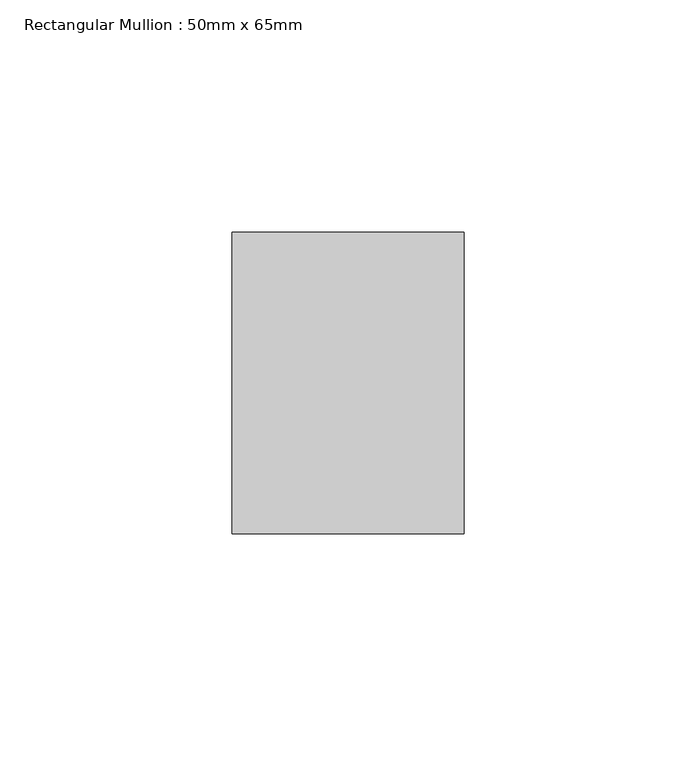
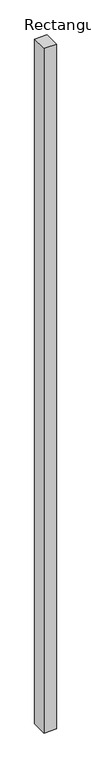
"""IFC4 building model written with IfcOpenShell, lengths in millimetres: member geometry, Rectangular Mullion : 50mm x 65mm."""

import ifcopenshell
import ifcopenshell.guid

model = None  # the IFC model being written
_history = None  # IfcOwnerHistory: only IFC2X3 demands one
_inside = {}  # id of a spatial element -> (the spatial element, [elements in it])
_under = {}  # id of a project, library or spatial element -> (it, [spatial elements below it])
_declared = {}  # id of a project -> (the project, [libraries it declares])
_typed = {}  # id of a type object -> (the type object, [elements of that type])
_made_of = {}  # id of a material, layer set ... -> (it, [elements and type objects made of it])


def new_model(schema):
    """Start an empty IFC model of exactly this schema.

    Asked for "IFC4X3", IfcOpenShell would pick the latest addendum, in which some entities
    have other attributes; the version numbers below select the first issue.
    IFC2X3 requires an IfcOwnerHistory on every rooted entity: one is made here for all.
    """
    global model, _history
    if schema == "IFC4X3":
        model = ifcopenshell.file(schema_version=(4, 3, 0, 0))
    else:
        model = ifcopenshell.file(schema=schema)
    _inside.clear()
    _under.clear()
    _declared.clear()
    _typed.clear()
    _made_of.clear()
    _history = None
    if model.schema == "IFC2X3":
        org = make("IfcOrganization", Name="unknown")
        user = make(
            "IfcPersonAndOrganization",
            ThePerson=make("IfcPerson", FamilyName="unknown"),
            TheOrganization=org,
        )
        app = make(
            "IfcApplication",
            ApplicationDeveloper=org,
            Version="unknown",
            ApplicationFullName="unknown",
            ApplicationIdentifier="unknown",
        )
        _history = make(
            "IfcOwnerHistory",
            OwningUser=user,
            OwningApplication=app,
            ChangeAction="ADDED",
            CreationDate=0,
        )
    return model


def make(cls, **values):
    """One entity of the class cls with the attributes given. An attribute that is None is left unset."""
    return model.create_entity(
        cls, **{name: value for name, value in values.items() if value is not None}
    )


def rooted(cls, **values):
    """An entity with a GlobalId (a new one), such as an element, a storey or a relation."""
    return make(cls, GlobalId=ifcopenshell.guid.new(), OwnerHistory=_history, **values)


def si_unit(unit_type, name, prefix=None):
    """IfcSIUnit, for example si_unit("LENGTHUNIT", "METRE", prefix="MILLI")."""
    return make("IfcSIUnit", UnitType=unit_type, Prefix=prefix, Name=name)


def assignment(units):
    """IfcUnitAssignment: the units of a project."""
    return None if units is None else make("IfcUnitAssignment", Units=units)


def point(xyz):
    """IfcCartesianPoint."""
    return None if xyz is None else make("IfcCartesianPoint", Coordinates=xyz)


def direction(xyz):
    """IfcDirection."""
    return None if xyz is None else make("IfcDirection", DirectionRatios=xyz)


def frame(location, z_axis=None, x_axis=None):
    """IfcAxis2Placement3D, a coordinate frame: its origin and axes. An axis left out is left unset."""
    return make(
        "IfcAxis2Placement3D",
        Location=point(location),
        Axis=direction(z_axis),
        RefDirection=direction(x_axis),
    )


def origin():
    """The frame at (0, 0, 0) with its axes left unset."""
    return frame((0.0, 0.0, 0.0))


def place(relative_to, where):
    """IfcLocalPlacement: puts the frame where relative to a parent placement (None: the world)."""
    return make(
        "IfcLocalPlacement", PlacementRelTo=relative_to, RelativePlacement=where
    )


def context(
    kind, dimensions, precision=None, world=None, true_north=None, identifier=None
):
    """IfcGeometricRepresentationContext, for example the 3D "Model" context."""
    return make(
        "IfcGeometricRepresentationContext",
        ContextIdentifier=identifier,
        ContextType=kind,
        CoordinateSpaceDimension=dimensions,
        Precision=precision,
        WorldCoordinateSystem=world,
        TrueNorth=true_north,
    )


def project(units=None, contexts=None):
    """IfcProject with its units and contexts."""
    return rooted(
        "IfcProject",
        Name="project",
        RepresentationContexts=contexts,
        UnitsInContext=assignment(units),
    )


def spatial(cls, under=None, at=None, **own):
    """A site, building, storey or space (cls), placed at a placement, below another one or the project."""
    s = rooted(cls, ObjectPlacement=at, **own)
    if under is not None:
        _under.setdefault(under.id(), (under, []))[1].append(s)
    return s


def polyline(points):
    """IfcPolyline through the points."""
    return make("IfcPolyline", Points=[point(p) for p in points])


def outline(outer, holes=None, kind="AREA"):
    """IfcArbitraryClosedProfileDef: a profile drawn as a closed curve; with holes, ...WithVoids."""
    if holes is None:
        return make("IfcArbitraryClosedProfileDef", ProfileType=kind, OuterCurve=outer)
    return make(
        "IfcArbitraryProfileDefWithVoids",
        ProfileType=kind,
        OuterCurve=outer,
        InnerCurves=holes,
    )


def extrude(swept, where, along, depth):
    """IfcExtrudedAreaSolid: the profile swept, set in the frame where, extruded along a direction by depth."""
    return make(
        "IfcExtrudedAreaSolid",
        SweptArea=swept,
        Position=where,
        ExtrudedDirection=direction(along),
        Depth=depth,
    )


def shape(context_of_items, identifier, shape_type, items):
    """IfcShapeRepresentation: the items that make up one representation, for example the "Body"."""
    return make(
        "IfcShapeRepresentation",
        ContextOfItems=context_of_items,
        RepresentationIdentifier=identifier,
        RepresentationType=shape_type,
        Items=items,
    )


def source(mapping_origin, context_of_items, identifier, shape_type, items):
    """IfcRepresentationMap: a shape defined once, which mapped items show again and again."""
    return make(
        "IfcRepresentationMap",
        MappingOrigin=mapping_origin,
        MappedRepresentation=shape(context_of_items, identifier, shape_type, items),
    )


def transform(
    local_origin,
    x_axis=None,
    y_axis=None,
    z_axis=None,
    scale=None,
    scale2=None,
    scale3=None,
    uniform=True,
):
    """IfcCartesianTransformationOperator3D, or its non-uniform kind. x_axis, y_axis, z_axis: its Axis1, 2, 3."""
    if uniform:
        return make(
            "IfcCartesianTransformationOperator3D",
            Axis1=direction(x_axis),
            Axis2=direction(y_axis),
            LocalOrigin=point(local_origin),
            Scale=scale,
            Axis3=direction(z_axis),
        )
    return make(
        "IfcCartesianTransformationOperator3DnonUniform",
        Axis1=direction(x_axis),
        Axis2=direction(y_axis),
        LocalOrigin=point(local_origin),
        Scale=scale,
        Axis3=direction(z_axis),
        Scale2=scale2,
        Scale3=scale3,
    )


def mapped(mapping_source, mapping_target):
    """IfcMappedItem: shows the shape of a source again, moved by a transform."""
    return make(
        "IfcMappedItem", MappingSource=mapping_source, MappingTarget=mapping_target
    )


def made_of(thing, what):
    """Note that an element or type object is made of a material, layer set ...; save() writes the relation."""
    if what is not None:
        _made_of.setdefault(what.id(), (what, []))[1].append(thing)
    return thing


def element(
    cls,
    number,
    at=None,
    inside=None,
    cuts=None,
    type_object=None,
    material=None,
    context=None,
    identifier="Body",
    shape_type=None,
    held_by="IfcProductDefinitionShape",
    body=None,
    shapes=None,
    **own,
):
    """One element of the class cls, such as IfcWall. Its Tag is "e" and its number.

    at: its placement. inside: the storey or other place that contains it. cuts: it is an
    opening in that element (IfcRelVoidsElement). A single representation is given by context,
    identifier, shape_type and body (its items); several are given by shapes. held_by: the class
    of the entity that holds the representations. save() writes the other relations.
    """
    e = rooted(cls, Tag="e%d" % number, ObjectPlacement=at, **own)
    if body is not None:
        shapes = [shape(context, identifier, shape_type, body)]
    if shapes is not None:
        e.Representation = make(held_by, Representations=shapes)
    if inside is not None:
        _inside.setdefault(inside.id(), (inside, []))[1].append(e)
    if cuts is not None:
        rooted(
            "IfcRelVoidsElement", RelatingBuildingElement=cuts, RelatedOpeningElement=e
        )
    if type_object is not None:
        _typed.setdefault(type_object.id(), (type_object, []))[1].append(e)
    return made_of(e, material)


def aggregate(whole, parts):
    """IfcRelAggregates: a whole, such as a stair, and the parts it consists of."""
    return rooted("IfcRelAggregates", RelatingObject=whole, RelatedObjects=parts)


def save(model, path):
    """Write the relations noted so far, then the file.

    IfcRelAggregates (storeys below a building ...), IfcRelContainedInSpatialStructure (elements
    in a storey), IfcRelDefinesByType, IfcRelAssociatesMaterial and IfcRelDeclares: one each for
    every whole, place, type object, material and project.
    """
    for whole, parts in _under.values():
        aggregate(whole, parts)
    for where, things in _inside.values():
        rooted(
            "IfcRelContainedInSpatialStructure",
            RelatedElements=things,
            RelatingStructure=where,
        )
    for kind, things in _typed.values():
        rooted("IfcRelDefinesByType", RelatedObjects=things, RelatingType=kind)
    for what, things in _made_of.values():
        rooted("IfcRelAssociatesMaterial", RelatedObjects=things, RelatingMaterial=what)
    for by, libraries in _declared.values():
        rooted("IfcRelDeclares", RelatingContext=by, RelatedDefinitions=libraries)
    model.write(path)


def rectangular_mullion_50mm_x_65mm_0a9dc9d6(model_context):
    return source(origin(), model_context, "Body", "SweptSolid", [
        extrude(outline(polyline([(25.0, 32.5), (25.0, -32.5), (-25.0, -32.5), (-25.0, 32.5), (25.0, 32.5)])), frame((0.0, 0.0, -2924.9792851), z_axis=(0.0, 0.0, 1.0), x_axis=(1.0, 0.0, 0.0)), (0.0, 0.0, 1.0), 2924.9792851),
    ])


if __name__ == "__main__":
    model = new_model("IFC4")
    model_context = context("Model", 3, world=origin())
    ifc_project = project(units=[si_unit("LENGTHUNIT", "METRE", prefix="MILLI")], contexts=[model_context])
    site = spatial("IfcSite", under=ifc_project)
    building = spatial("IfcBuilding", under=site)
    placement = place(None, origin())
    rectangular_mullion_50mm_x_65mm_shape = rectangular_mullion_50mm_x_65mm_0a9dc9d6(model_context)
    element("IfcMember", 1, ObjectType="Rectangular Mullion : 50mm x 65mm", at=placement, inside=building, context=model_context, shape_type="MappedRepresentation", body=[
        mapped(rectangular_mullion_50mm_x_65mm_shape, transform((0.0, 0.0, 0.0), x_axis=(1.0, 0.0, 0.0), y_axis=(0.0, 1.0, 0.0), z_axis=(0.0, 0.0, 1.0))),
    ])
    save(model, "model.ifc")
